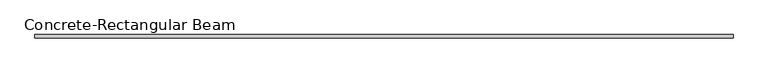
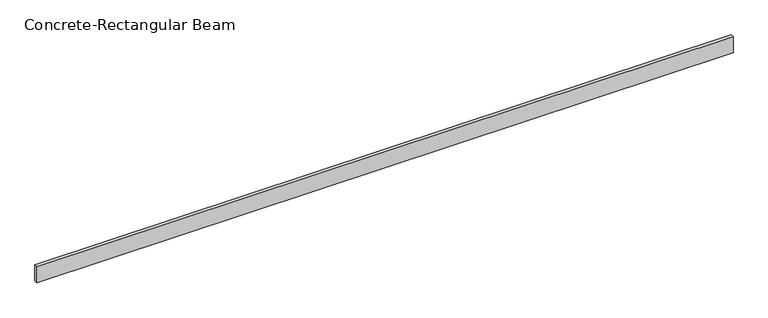
"""IFC4 building model written with IfcOpenShell, lengths in millimetres: beam geometry, Concrete-Rectangular Beam."""

from ifc_helpers import new_model, si_unit, frame, origin, place, context, project, spatial, polyline, outline, extrude, source, transform, mapped, element, save


def concrete_rectangular_beam_1c4d1018(model_context):
    return source(origin(), model_context, "Body", "SweptSolid", [
        extrude(outline(polyline([(5180.0, 25.0), (5180.0, -25.0), (-5180.0, -25.0), (-5180.0, 25.0), (5180.0, 25.0)])), frame((0.0, 0.0, -125.0), z_axis=(0.0, 0.0, 1.0), x_axis=(1.0, 0.0, 0.0)), (0.0, 0.0, 1.0), 250.0),
    ])


if __name__ == "__main__":
    model = new_model("IFC4")
    model_context = context("Model", 3, world=origin())
    ifc_project = project(units=[si_unit("LENGTHUNIT", "METRE", prefix="MILLI")], contexts=[model_context])
    site = spatial("IfcSite", under=ifc_project)
    building = spatial("IfcBuilding", under=site)
    placement = place(None, origin())
    concrete_rectangular_beam_shape = concrete_rectangular_beam_1c4d1018(model_context)
    element("IfcBeam", 1, ObjectType="Concrete-Rectangular Beam", at=placement, inside=building, context=model_context, shape_type="MappedRepresentation", body=[
        mapped(concrete_rectangular_beam_shape, transform((0.0, 0.0, 0.0), x_axis=(1.0, 0.0, 0.0), y_axis=(0.0, 1.0, 0.0), z_axis=(0.0, 0.0, 1.0))),
    ])
    save(model, "model.ifc")
